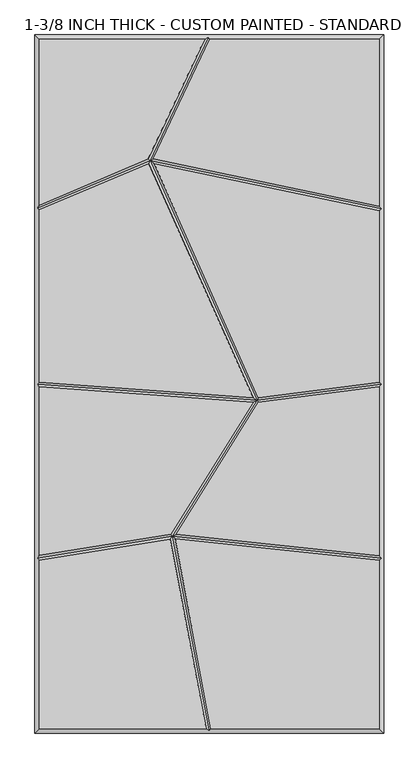
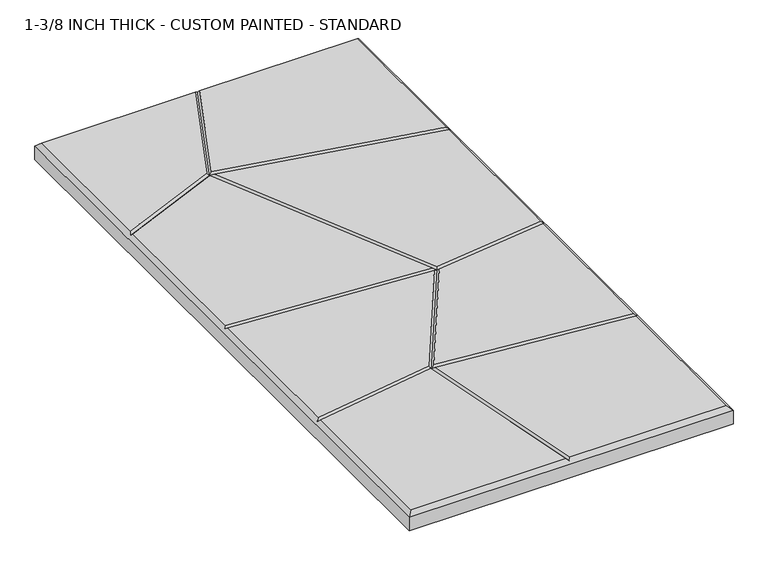
"""IFC4 building model written with IfcOpenShell, lengths in millimetres: proxy geometry, 1-3/8 INCH THICK - CUSTOM PAINTED - STANDARD."""

from ifc_helpers import new_model, si_unit, origin, place, context, project, spatial, faceted_brep, source, transform, mapped, element, save


def proxy_1_3_8_inch_thick_custom_painted_standard_fcf7308e(model_context):
    return source(origin(), model_context, "Body", "Brep", [
        faceted_brep([(-8.2028961, 601.599, 34.925), (-296.799, 601.599, 34.925), (-296.799, 312.5432369, 34.925), (-106.5730663, 393.3098245, 34.925), (-296.799, -601.599, 34.925), (-5.5875044, -601.599, 34.925), (-68.2811687, -270.685629, 34.925), (-296.799, -307.5611441, 34.925), (296.799, 601.599, 34.925), (0.6455208, 601.599, 34.925), (-97.8234472, 393.1006299, 34.925), (296.799, 310.5605776, 34.925), (2.5558226, -601.599, 34.925), (296.799, -601.599, 34.925), (296.799, -307.9855233, 34.925), (-60.1438104, -270.6541244, 34.925), (296.799, 302.386434, 34.925), (-96.7636582, 384.7048187, 34.925), (85.535097, -23.8552953, 34.925), (296.799, 3.0150912, 34.925), (-105.6591812, 385.0055382, 34.925), (-296.799, 303.850931, 34.925), (-296.799, 3.4294067, 34.925), (76.7151864, -23.7240351, 34.925), (296.799, -5.0503652, 34.925), (85.483213, -31.9273507, 34.925), (-58.2987801, -262.8024498, 34.925), (296.799, -299.9408835, 34.925), (76.1939437, -31.7082565, 34.925), (-296.799, -4.5927076, 34.925), (-296.799, -299.4566417, 34.925), (-67.5090689, -262.4565343, 34.925), (-304.8, 609.6, 0.0), (304.8, 609.6, 0.0), (304.8, -609.6, 0.0), (-304.8, -609.6, 0.0), (-304.8, -609.6, 26.924), (-304.8, 609.6, 26.924), (304.8, -609.6, 26.924), (304.8, 609.6, 26.924), (-1.8893438, 605.5995, 30.9245), (-300.7995, -304.1544464, 30.9245), (-300.7995, -0.2908252, 30.9245), (-300.7995, 306.498542, 30.9245), (-0.7579204, -605.5995, 30.9245), (300.7995, 305.6367529, 30.9245), (300.7995, -0.5088185, 30.9245), (300.7995, -304.3816017, 30.9245), (-65.0752426, -266.1160433, 30.9245), (83.0924453, -28.1987012, 30.9245), (-103.6066104, 390.2231766, 30.9245)], [[[0, 1, 2, 3]], [[4, 5, 6, 7]], [[8, 9, 10, 11]], [[12, 13, 14, 15]], [[16, 17, 18, 19]], [[20, 21, 22, 23]], [[24, 25, 26, 27]], [[28, 29, 30, 31]], [[32, 33, 34, 35]], [[32, 35, 36, 37]], [[35, 34, 38, 36]], [[34, 33, 39, 38]], [[33, 32, 37, 39]], [[37, 1, 0, 40, 9, 8, 39]], [[1, 37, 36, 4, 7, 41, 30, 29, 42, 22, 21, 43, 2]], [[4, 36, 38, 13, 12, 44, 5]], [[39, 8, 11, 45, 16, 19, 46, 24, 27, 47, 14, 13, 38]], [[44, 48, 6, 5]], [[48, 44, 12, 15]], [[48, 49, 28, 31]], [[49, 48, 26, 25]], [[49, 50, 20, 23]], [[50, 49, 18, 17]], [[50, 40, 0, 3]], [[40, 50, 10, 9]], [[45, 50, 17, 16]], [[50, 45, 11, 10]], [[50, 43, 21, 20]], [[43, 50, 3, 2]], [[46, 49, 25, 24]], [[49, 46, 19, 18]], [[49, 42, 29, 28]], [[42, 49, 23, 22]], [[47, 48, 15, 14]], [[48, 47, 27, 26]], [[48, 41, 7, 6]], [[41, 48, 31, 30]]]),
    ])


if __name__ == "__main__":
    model = new_model("IFC4")
    model_context = context("Model", 3, world=origin())
    ifc_project = project(units=[si_unit("LENGTHUNIT", "METRE", prefix="MILLI")], contexts=[model_context])
    site = spatial("IfcSite", under=ifc_project)
    building = spatial("IfcBuilding", under=site)
    placement = place(None, origin())
    proxy_1_3_8_inch_thick_custom_painted_standard_shape = proxy_1_3_8_inch_thick_custom_painted_standard_fcf7308e(model_context)
    element("IfcBuildingElementProxy", 1, Name="1-3/8 INCH THICK - CUSTOM PAINTED - STANDARD", ObjectType="1-3/8 INCH THICK - CUSTOM PAINTED - STANDARD", at=placement, inside=building, context=model_context, shape_type="MappedRepresentation", body=[
        mapped(proxy_1_3_8_inch_thick_custom_painted_standard_shape, transform((0.0, 0.0, 0.0), x_axis=(1.0, 0.0, 0.0), y_axis=(0.0, 1.0, 0.0), z_axis=(0.0, 0.0, 1.0))),
    ])
    save(model, "model.ifc")
